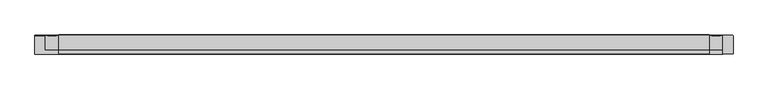
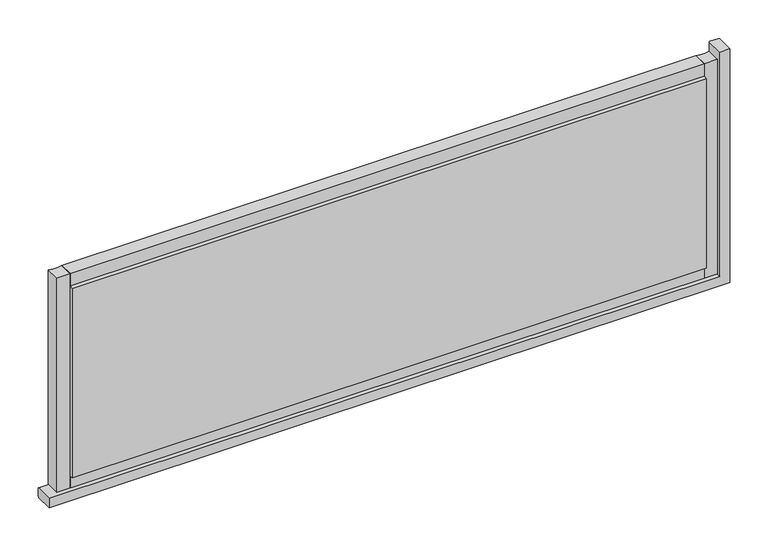
"""IFC4 building model written with IfcOpenShell, lengths in millimetres: plate geometry."""

from ifc_helpers import new_model, si_unit, point, frame, frame_2d, origin, origin_with_axes, place, context, project, spatial, polyline, circle_curve, ellipse_curve, trimmed, segment, composite_curve, outline, extrude, source, transform, mapped, element, save
from ifc_brep_helpers import plane_surface, cylinder_surface, advanced_brep


def plate_afb89587(model_context):
    return source(origin(), model_context, "Body", "SolidModel", [
        advanced_brep(
        [(492.4997568, -14.0, 357.0919278), (507.4997561, -14.0, 357.0919278), (507.4997561, 12.3070793, 357.0919278), (505.9997561, 13.8070793, 357.0919278), (493.4999995, 13.8070793, 357.0919278), (492.4999995, 12.8070793, 357.0919278), (-517.4997568, -14.0, 0.0), (-517.4997568, 12.8070793, 0.0), (-517.4997568, 13.8070793, -1.0002427), (-517.4997568, 13.8070793, -13.4999993), (-517.4997568, 12.3070793, -14.9999993), (-517.4997568, -14.0, -14.9999993), (492.4997568, -14.0, 0.0), (507.4997561, -14.0, -14.9999993), (507.4997561, 12.3070793, -14.9999993), (505.9997561, 13.8070793, -13.4999993), (493.4999995, 13.8070793, -1.0002427), (492.4999995, 12.8070793, -0.0002427)],
        [
            (0, 1),
            (1, 2),
            (2, 3, circle_curve(frame((505.9997561, 12.3070793, 357.0919278), z_axis=(0.0, 0.0, 1.0), x_axis=(0.0, -1.0, 0.0)), 1.5)),
            (3, 4),
            (4, 5, circle_curve(frame((493.4999995, 12.8070793, 357.0919278), z_axis=(0.0, 0.0, 1.0), x_axis=(0.0, -1.0, 0.0)), 1.0)),
            (5, 0),
            (6, 7),
            (7, 8, circle_curve(frame((-517.4997568, 12.8070793, -1.0002427), z_axis=(-1.0, 0.0, 0.0), x_axis=(0.0, -1.0, 0.0)), 1.0)),
            (8, 9),
            (9, 10, circle_curve(frame((-517.4997568, 12.3070793, -13.4999993), z_axis=(-1.0, 0.0, 0.0), x_axis=(0.0, -1.0, 0.0)), 1.5)),
            (10, 11),
            (11, 6),
            (0, 12),
            (12, 6),
            (11, 13),
            (13, 1),
            (13, 14),
            (14, 2),
            (14, 15, ellipse_curve(frame((505.9997561, 12.3070793, -13.4999993), z_axis=(0.7071067811865487, 0.0, 0.7071067811865464), x_axis=(-0.7071067811865464, 0.0, 0.7071067811865487)), 2.1213203, 1.5)),
            (15, 3),
            (15, 9),
            (8, 16),
            (16, 4),
            (16, 17, ellipse_curve(frame((493.4999995, 12.8070793, -1.0002427), z_axis=(0.7071067811865487, 0.0, 0.7071067811865464), x_axis=(-0.7071067811865464, 0.0, 0.7071067811865487)), 1.4142136, 1.0)),
            (17, 5),
            (17, 12),
            (10, 14),
            (7, 17),
        ],
        [
            plane_surface(frame((517.4997568, 0.0, 357.0919278), z_axis=(0.0, 0.0, 1.0), x_axis=(0.0, -1.0, 0.0))),
            plane_surface(frame((-517.4997568, 0.0, -25.0), z_axis=(-1.0, 0.0, 0.0), x_axis=(0.0, -1.0, 0.0))),
            plane_surface(frame((492.4997568, -14.0, 357.0919278), z_axis=(0.0, -1.0, 0.0), x_axis=(0.0, 0.0, -1.0))),
            plane_surface(frame((507.4997561, -14.0, 357.0919278), z_axis=(1.0, 0.0, 0.0), x_axis=(0.0, 0.0, -1.0))),
            cylinder_surface(frame((505.9997561, 12.3070793, 357.0919278), z_axis=(0.0, 0.0, 1.0), x_axis=(0.0, -1.0, 0.0)), 1.5),
            plane_surface(frame((505.9997561, 13.8070793, 357.0919278), z_axis=(0.0, 1.0, 0.0), x_axis=(0.0, 0.0, -1.0))),
            cylinder_surface(frame((493.4999995, 12.8070793, 357.0919278), z_axis=(0.0, 0.0, 1.0), x_axis=(0.0, -1.0, 0.0)), 1.0),
            plane_surface(frame((492.4997568, 12.8070793, 357.0919278), z_axis=(-1.0, 0.0, 0.0), x_axis=(0.0, 0.0, -1.0))),
            plane_surface(frame((507.4997561, -14.0, -14.9999993), z_axis=(0.0, 0.0, -1.0), x_axis=(-1.0, 0.0, 0.0))),
            cylinder_surface(frame((517.4997568, 12.3070793, -13.4999993), z_axis=(1.0, 0.0, 0.0), x_axis=(0.0, -1.0, 0.0)), 1.5),
            cylinder_surface(frame((517.4997568, 12.8070793, -1.0002427), z_axis=(1.0, 0.0, 0.0), x_axis=(0.0, -1.0, 0.0)), 1.0),
            plane_surface(frame((492.4997568, 12.8070793, 0.0), z_axis=(0.0, 0.0, 1.0), x_axis=(-1.0, 0.0, 0.0))),
        ],
        [
            (0, [[1, 2, 3, 4, 5, 6]]),
            (1, [[7, 8, 9, 10, 11, 12]]),
            (2, [[-1, 13, 14, -12, 15, 16]]),
            (3, [[-2, -16, 17, 18]]),
            (4, [[-3, -18, 19, 20]]),
            (5, [[-4, -20, 21, -9, 22, 23]]),
            (6, [[-5, -23, 24, 25]]),
            (7, [[-6, -25, 26, -13]]),
            (8, [[-17, -15, -11, 27]]),
            (9, [[-19, -27, -10, -21]]),
            (10, [[-24, -22, -8, 28]]),
            (11, [[-26, -28, -7, -14]]),
        ],
    ),
        extrude(outline(polyline([(472.4997568, 14.0), (472.4997568, 8.0), (-482.4997568, 8.0), (-482.4997568, 14.0), (472.4997568, 14.0)])), frame((0.0, 0.0, 20.0), z_axis=(0.0, 0.0, 1.0), x_axis=(1.0, 0.0, 0.0)), (0.0, 0.0, 1.0), 302.0919278),
        extrude(outline(polyline([(472.4997568, -8.0), (472.4997568, -14.0), (-482.4997568, -14.0), (-482.4997568, -8.0), (472.4997568, -8.0)])), frame((0.0, 0.0, 20.0), z_axis=(0.0, 0.0, 1.0), x_axis=(1.0, 0.0, 0.0)), (0.0, 0.0, 1.0), 302.0919278),
        extrude(outline(composite_curve([segment(polyline([(13.499631, 0.0), (-8.0, 0.0), (-8.0, 20.0), (13.499631, 20.0)]), True, "CONTINUOUS"), segment(trimmed(circle_curve(frame_2d((45.6328576, 10.0)), 33.6532948), [point((13.499631, 20.0))], [point((13.499631, 0.0))], True, "CARTESIAN"), True, "CONTINUOUS")], self_intersect=False)), frame((-482.4997568, 0.0, 0.0), z_axis=(1.0, 0.0, 0.0), x_axis=(0.0, 1.0, 0.0)), (0.0, 0.0, 1.0), 954.9995136),
        extrude(outline(composite_curve([segment(trimmed(circle_curve(frame_2d((45.6328576, 332.0919278)), 33.6532948), [point((13.499631, 342.0919278))], [point((13.499631, 322.0919278))], True, "CARTESIAN"), True, "CONTINUOUS"), segment(polyline([(13.499631, 322.0919278), (-8.0, 322.0919278), (-8.0, 342.0919278), (13.499631, 342.0919278)]), True, "CONTINUOUS")], self_intersect=False)), frame((-482.4997568, 0.0, 0.0), z_axis=(1.0, 0.0, 0.0), x_axis=(0.0, 1.0, 0.0)), (0.0, 0.0, 1.0), 954.9995136),
        extrude(outline(composite_curve([segment(polyline([(492.4997568, -8.0), (472.4997568, -8.0), (472.4997568, 13.499631)]), True, "CONTINUOUS"), segment(trimmed(circle_curve(frame_2d((482.4997568, 45.6328576)), 33.6532948), [point((472.4997568, 13.499631))], [point((492.4997568, 13.499631))], True, "CARTESIAN"), True, "CONTINUOUS"), segment(polyline([(492.4997568, 13.499631), (492.4997568, -8.0)]), True, "CONTINUOUS")], self_intersect=False)), origin_with_axes(), (0.0, 0.0, 1.0), 342.0919278),
        extrude(outline(composite_curve([segment(polyline([(-482.4997568, -8.0), (-502.4997568, -8.0), (-502.4997568, 13.499631)]), True, "CONTINUOUS"), segment(trimmed(circle_curve(frame_2d((-492.4997568, 45.6328576)), 33.6532948), [point((-502.4997568, 13.499631))], [point((-482.4997568, 13.499631))], True, "CARTESIAN"), True, "CONTINUOUS"), segment(polyline([(-482.4997568, 13.499631), (-482.4997568, -8.0)]), True, "CONTINUOUS")], self_intersect=False)), origin_with_axes(), (0.0, 0.0, 1.0), 342.0919278),
    ])


if __name__ == "__main__":
    model = new_model("IFC4")
    model_context = context("Model", 3, world=origin())
    ifc_project = project(units=[si_unit("LENGTHUNIT", "METRE", prefix="MILLI")], contexts=[model_context])
    site = spatial("IfcSite", under=ifc_project)
    building = spatial("IfcBuilding", under=site)
    placement = place(None, origin())
    plate_shape = plate_afb89587(model_context)
    element("IfcPlate", 1, at=placement, inside=building, context=model_context, shape_type="MappedRepresentation", body=[
        mapped(plate_shape, transform((0.0, 0.0, 0.0), x_axis=(1.0, 0.0, 0.0), y_axis=(0.0, 1.0, 0.0), z_axis=(0.0, 0.0, 1.0))),
    ])
    save(model, "model.ifc")
